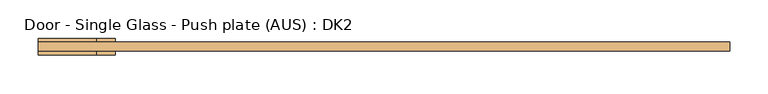
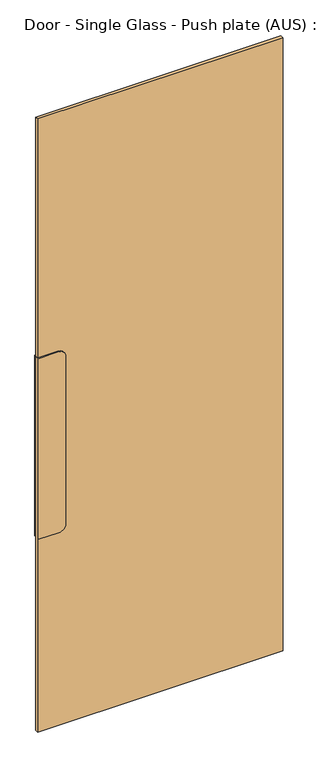
"""IFC4 building model written with IfcOpenShell, lengths in millimetres: door geometry, Door - Single Glass - Push plate (AUS) : DK2."""

from ifc_helpers import new_model, si_unit, point, frame, frame_2d, origin, origin_with_axes, place, context, project, spatial, polyline, circle_curve, trimmed, segment, composite_curve, outline, extrude, source, transform, mapped, element, save


def door_single_glass_push_plate_aus_dk2_02fba761(model_context):
    return source(origin(), model_context, "Body", "SweptSolid", [
        extrude(outline(polyline([(450.0, -50.0), (-450.0, -50.0), (-450.0, -38.0), (450.0, -38.0), (450.0, -50.0)])), origin_with_axes(), (0.0, 0.0, 1.0), 2375.0),
        extrude(outline(composite_curve([segment(polyline([(1450.0, -375.0), (1450.0, -450.0), (750.0, -450.0), (750.0, -375.0)]), True, "CONTINUOUS"), segment(trimmed(circle_curve(frame_2d((775.0, -375.0)), 25.0), [point((750.0, -375.0))], [point((775.0, -350.0))], False, "CARTESIAN"), True, "CONTINUOUS"), segment(polyline([(775.0, -350.0), (1425.0, -350.0)]), True, "CONTINUOUS"), segment(trimmed(circle_curve(frame_2d((1425.0, -375.0)), 25.0), [point((1425.0, -350.0))], [point((1450.0, -375.0))], False, "CARTESIAN"), True, "CONTINUOUS")], self_intersect=False)), frame((0.0, -55.0, 0.0), z_axis=(0.0, 1.0, 0.0), x_axis=(0.0, 0.0, 1.0)), (0.0, 0.0, 1.0), 22.0),
    ])


if __name__ == "__main__":
    model = new_model("IFC4")
    model_context = context("Model", 3, world=origin())
    ifc_project = project(units=[si_unit("LENGTHUNIT", "METRE", prefix="MILLI")], contexts=[model_context])
    site = spatial("IfcSite", under=ifc_project)
    building = spatial("IfcBuilding", under=site)
    placement = place(None, origin())
    door_single_glass_push_plate_aus_dk2_shape = door_single_glass_push_plate_aus_dk2_02fba761(model_context)
    element("IfcDoor", 1, ObjectType="Door - Single Glass - Push plate (AUS) : DK2", at=placement, inside=building, context=model_context, shape_type="MappedRepresentation", body=[
        mapped(door_single_glass_push_plate_aus_dk2_shape, transform((0.0, 0.0, 0.0), x_axis=(1.0, 0.0, 0.0), y_axis=(0.0, 1.0, 0.0), z_axis=(0.0, 0.0, 1.0))),
    ])
    save(model, "model.ifc")
